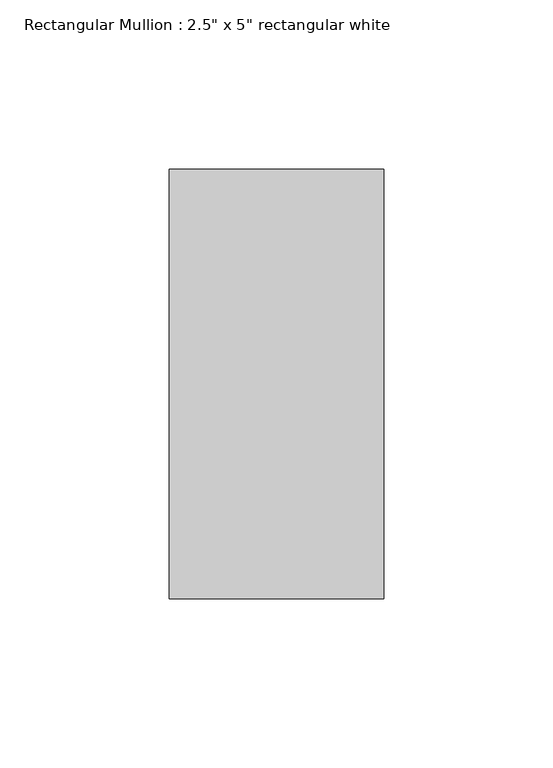
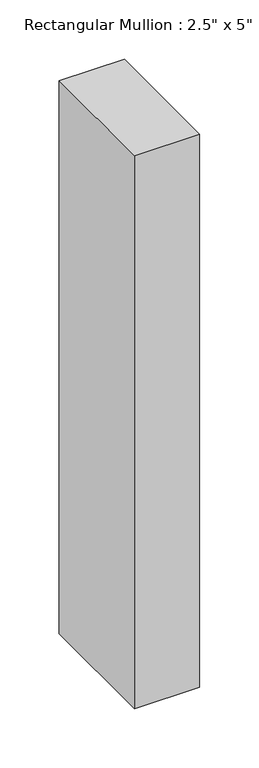
"""IFC4 building model written with IfcOpenShell, lengths in millimetres: member geometry."""

from ifc_helpers import new_model, si_unit, frame, origin, place, context, project, spatial, polyline, outline, extrude, source, transform, mapped, element, save


def member_ab4f2237(model_context):
    return source(origin(), model_context, "Body", "SweptSolid", [
        extrude(outline(polyline([(0.0, 63.5), (0.0, -63.5), (-63.5, -63.5), (-63.5, 63.5), (0.0, 63.5)])), frame((0.0, 0.0, -568.96), z_axis=(0.0, 0.0, 1.0), x_axis=(1.0, 0.0, 0.0)), (0.0, 0.0, 1.0), 568.96),
    ])


if __name__ == "__main__":
    model = new_model("IFC4")
    model_context = context("Model", 3, world=origin())
    ifc_project = project(units=[si_unit("LENGTHUNIT", "METRE", prefix="MILLI")], contexts=[model_context])
    site = spatial("IfcSite", under=ifc_project)
    building = spatial("IfcBuilding", under=site)
    placement = place(None, origin())
    member_shape = member_ab4f2237(model_context)
    element("IfcMember", 1, ObjectType="Rectangular Mullion : 2.5\" x 5\" rectangular white", at=placement, inside=building, context=model_context, shape_type="MappedRepresentation", body=[
        mapped(member_shape, transform((0.0, 0.0, 0.0), x_axis=(1.0, 0.0, 0.0), y_axis=(0.0, 1.0, 0.0), z_axis=(0.0, 0.0, 1.0))),
    ])
    save(model, "model.ifc")
